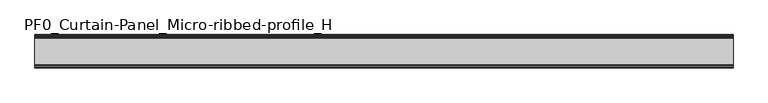
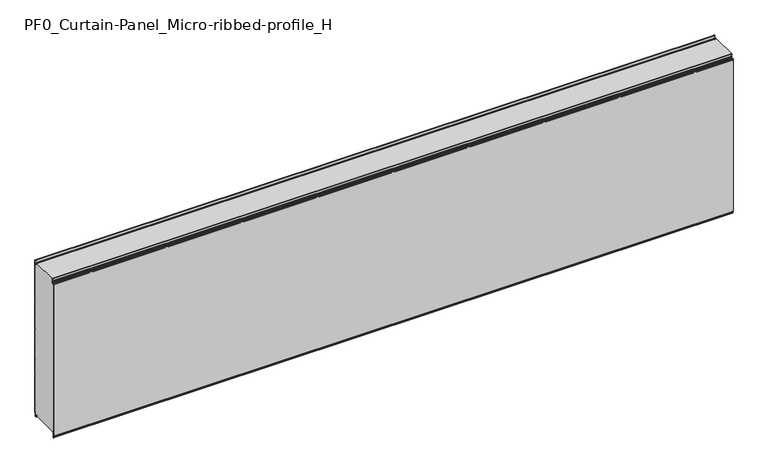
"""IFC4 building model written with IfcOpenShell, lengths in millimetres: plate geometry, PF0_Curtain-Panel_Micro-ribbed-profile_H."""

from ifc_helpers import new_model, si_unit, point, frame, frame_2d, origin, place, context, project, spatial, polyline, circle_curve, trimmed, segment, composite_curve, outline, extrude, source, transform, mapped, element, save
from ifc_brep_helpers import plane_surface, cylinder_surface, revolved_surface, advanced_brep


def pf0_curtain_panel_micro_ribbed_profile_h_6cca7dd0(model_context):
    return source(origin(), model_context, "Body", "SolidModel", [
        advanced_brep(
        [(-2100.0, -15.878557, 0.0), (-2100.0, -20.0, 0.0), (-2100.0, -20.0, 0.8), (-2100.0, -15.878557, 0.8), (-2100.0, -13.1503208, -1.370137), (-2100.0, -11.728236, -7.529863), (-2100.0, -6.2, -6.9), (-2100.0, -6.2, 8.6), (-2100.0, -3.4, 11.4), (-2100.0, -2.0, 11.4), (-2100.0, -0.8, 12.6), (-2100.0, -0.8, 57.6856412), (-2100.0, -2.482606, 60.6), (-2100.0, -0.8, 63.5143588), (-2100.0, -0.8, 157.6856412), (-2100.0, -2.482606, 160.6), (-2100.0, -0.8, 163.5143588), (-2100.0, -0.8, 257.6856412), (-2100.0, -2.482606, 260.6), (-2100.0, -0.8, 263.5143588), (-2100.0, -0.8, 357.6856412), (-2100.0, -2.482606, 360.6), (-2100.0, -0.8, 363.5143588), (-2100.0, -0.8, 457.6856412), (-2100.0, -2.482606, 460.6), (-2100.0, -0.8, 463.5143588), (-2100.0, -0.8, 557.6856412), (-2100.0, -2.482606, 560.6), (-2100.0, -0.8, 563.5143588), (-2100.0, -0.8, 657.6856412), (-2100.0, -2.482606, 660.6), (-2100.0, -0.8, 663.5143588), (-2100.0, -0.8, 757.6856412), (-2100.0, -2.482606, 760.6), (-2100.0, -0.8, 763.5143588), (-2100.0, -0.8, 857.6856412), (-2100.0, -2.482606, 860.6), (-2100.0, -0.8, 863.5143588), (-2100.0, -0.8, 957.6856412), (-2100.0, -2.482606, 960.6), (-2100.0, -0.8, 963.5143588), (-2100.0, -0.8, 1008.1), (-2100.0, -4.2, 1008.1), (-2100.0, -4.2, 991.1), (-2100.0, -13.7270771, 990.2664884), (-2100.0, -14.8636953, 996.7125669), (-2100.0, -16.6363492, 998.2), (-2100.0, -20.0, 998.2), (-2100.0, -20.0, 999.0), (-2100.0, -16.6363492, 999.0), (-2100.0, -14.0758491, 996.8514855), (-2100.0, -12.939231, 990.405407), (-2100.0, -5.0, 991.1), (-2100.0, -5.0, 1008.1), (-2100.0, -2.5, 1010.6), (-2100.0, 0.0, 1008.1), (-2100.0, 0.0, 963.2999995), (-2100.0, -1.5588455, 960.6), (-2100.0, 0.0, 957.9000005), (-2100.0, 0.0, 863.2999995), (-2100.0, -1.5588455, 860.6), (-2100.0, 0.0, 857.9000005), (-2100.0, 0.0, 763.2999995), (-2100.0, -1.5588455, 760.6), (-2100.0, 0.0, 757.9000005), (-2100.0, 0.0, 663.2999995), (-2100.0, -1.5588455, 660.6), (-2100.0, 0.0, 657.9000005), (-2100.0, 0.0, 563.2999995), (-2100.0, -1.5588455, 560.6), (-2100.0, 0.0, 557.9000005), (-2100.0, 0.0, 463.2999995), (-2100.0, -1.5588455, 460.6), (-2100.0, 0.0, 457.9000005), (-2100.0, 0.0, 363.2999995), (-2100.0, -1.5588455, 360.6), (-2100.0, 0.0, 357.9000005), (-2100.0, 0.0, 263.2999995), (-2100.0, -1.5588455, 260.6), (-2100.0, 0.0, 257.9000005), (-2100.0, 0.0, 163.2999995), (-2100.0, -1.5588455, 160.6), (-2100.0, 0.0, 157.9000005), (-2100.0, 0.0, 63.2999995), (-2100.0, -1.5588455, 60.6), (-2100.0, 0.0, 57.9000005), (-2100.0, 0.0, 12.6), (-2100.0, -2.0, 10.6), (-2100.0, -3.4, 10.6), (-2100.0, -5.4, 8.6), (-2100.0, -5.4, -6.9), (-2100.0, -12.5077322, -7.7098239), (-2100.0, -13.929817, -1.5500979), (2100.0, -15.878557, 0.0), (2100.0, -13.9298169, -1.5500978), (2100.0, -12.507732, -7.7098239), (2100.0, -5.4, -6.9), (2100.0, -5.4, 8.6), (2100.0, -3.4, 10.6), (2100.0, -2.0, 10.6), (2100.0, 0.0, 12.6), (2100.0, 0.0, 57.9000005), (2100.0, -1.5588455, 60.6), (2100.0, 0.0, 63.2999995), (2100.0, 0.0, 157.9000005), (2100.0, -1.5588455, 160.6), (2100.0, 0.0, 163.2999995), (2100.0, 0.0, 257.9000005), (2100.0, -1.5588455, 260.6), (2100.0, 0.0, 263.2999995), (2100.0, 0.0, 357.9000005), (2100.0, -1.5588455, 360.6), (2100.0, 0.0, 363.2999995), (2100.0, 0.0, 457.9000005), (2100.0, -1.5588455, 460.6), (2100.0, 0.0, 463.2999995), (2100.0, 0.0, 557.9000005), (2100.0, -1.5588455, 560.6), (2100.0, 0.0, 563.2999995), (2100.0, 0.0, 657.9000005), (2100.0, -1.5588455, 660.6), (2100.0, 0.0, 663.2999995), (2100.0, 0.0, 757.9000005), (2100.0, -1.5588455, 760.6), (2100.0, 0.0, 763.2999995), (2100.0, 0.0, 857.9000005), (2100.0, -1.5588455, 860.6), (2100.0, 0.0, 863.2999995), (2100.0, 0.0, 957.9000005), (2100.0, -1.5588455, 960.6), (2100.0, 0.0, 963.2999995), (2100.0, 0.0, 1008.1), (2100.0, -2.5, 1010.6), (2100.0, -5.0, 1008.1), (2100.0, -5.0, 991.1), (2100.0, -12.939231, 990.405407), (2100.0, -14.0758491, 996.8514855), (2100.0, -16.6363492, 999.0), (2100.0, -20.0, 999.0), (2100.0, -20.0, 998.2), (2100.0, -16.6363492, 998.2), (2100.0, -14.8636953, 996.7125669), (2100.0, -13.7270772, 990.2664884), (2100.0, -4.2, 991.1), (2100.0, -4.2, 1008.1), (2100.0, -0.8, 1008.1), (2100.0, -0.8, 963.5143588), (2100.0, -2.482606, 960.6), (2100.0, -0.8, 957.6856412), (2100.0, -0.8, 863.5143588), (2100.0, -2.482606, 860.6), (2100.0, -0.8, 857.6856412), (2100.0, -0.8, 763.5143588), (2100.0, -2.482606, 760.6), (2100.0, -0.8, 757.6856412), (2100.0, -0.8, 663.5143588), (2100.0, -2.482606, 660.6), (2100.0, -0.8, 657.6856412), (2100.0, -0.8, 563.5143588), (2100.0, -2.482606, 560.6), (2100.0, -0.8, 557.6856412), (2100.0, -0.8, 463.5143588), (2100.0, -2.482606, 460.6), (2100.0, -0.8, 457.6856412), (2100.0, -0.8, 363.5143588), (2100.0, -2.482606, 360.6), (2100.0, -0.8, 357.6856412), (2100.0, -0.8, 263.5143588), (2100.0, -2.482606, 260.6), (2100.0, -0.8, 257.6856412), (2100.0, -0.8, 163.5143588), (2100.0, -2.482606, 160.6), (2100.0, -0.8, 157.6856412), (2100.0, -0.8, 63.5143588), (2100.0, -2.482606, 60.6), (2100.0, -0.8, 57.6856412), (2100.0, -0.8, 12.6), (2100.0, -2.0, 11.4), (2100.0, -3.4, 11.4), (2100.0, -6.2, 8.6), (2100.0, -6.2, -6.9), (2100.0, -11.7282362, -7.529863), (2100.0, -13.150321, -1.370137), (2100.0, -15.878557, 0.8), (2100.0, -20.0, 0.8), (2100.0, -20.0, 0.0)],
        [
            (0, 1),
            (1, 2),
            (2, 3),
            (3, 4, circle_curve(frame((-2100.0, -15.878557, -2.0), z_axis=(-1.0, 0.0, 0.0), x_axis=(0.0, 0.0, 1.0)), 2.8)),
            (4, 5),
            (5, 6, circle_curve(frame((-2100.0, -9.0, -6.9), z_axis=(1.0, 0.0, 0.0), x_axis=(0.0, 0.0, 1.0)), 2.8)),
            (6, 7),
            (7, 8, circle_curve(frame((-2100.0, -3.4, 8.6), z_axis=(-1.0, 0.0, 0.0), x_axis=(0.0, 0.0, 1.0)), 2.8)),
            (8, 9),
            (9, 10, circle_curve(frame((-2100.0, -2.0, 12.6), z_axis=(1.0, 0.0, 0.0), x_axis=(0.0, 0.0, 1.0)), 1.2)),
            (10, 11),
            (11, 12),
            (12, 13),
            (13, 14),
            (14, 15),
            (15, 16),
            (16, 17),
            (17, 18),
            (18, 19),
            (19, 20),
            (20, 21),
            (21, 22),
            (22, 23),
            (23, 24),
            (24, 25),
            (25, 26),
            (26, 27),
            (27, 28),
            (28, 29),
            (29, 30),
            (30, 31),
            (31, 32),
            (32, 33),
            (33, 34),
            (34, 35),
            (35, 36),
            (36, 37),
            (37, 38),
            (38, 39),
            (39, 40),
            (40, 41),
            (41, 42, circle_curve(frame((-2100.0, -2.5, 1008.1), z_axis=(1.0, 0.0, 0.0), x_axis=(0.0, 0.0, 1.0)), 1.7)),
            (42, 43),
            (43, 44, circle_curve(frame((-2100.0, -9.0, 991.1), z_axis=(-1.0, 0.0, 0.0), x_axis=(0.0, 0.0, 1.0)), 4.8)),
            (44, 45),
            (45, 46, circle_curve(frame((-2100.0, -16.6363492, 996.4), z_axis=(1.0, 0.0, 0.0), x_axis=(0.0, 0.0, 1.0)), 1.8)),
            (46, 47),
            (47, 48),
            (48, 49),
            (49, 50, circle_curve(frame((-2100.0, -16.6363492, 996.4), z_axis=(-1.0, 0.0, 0.0), x_axis=(0.0, 0.0, 1.0)), 2.6)),
            (50, 51),
            (51, 52, circle_curve(frame((-2100.0, -9.0, 991.1), z_axis=(1.0, 0.0, 0.0), x_axis=(0.0, 0.0, 1.0)), 4.0)),
            (52, 53),
            (53, 54, circle_curve(frame((-2100.0, -2.5, 1008.1), z_axis=(-1.0, 0.0, 0.0), x_axis=(0.0, 0.0, 1.0)), 2.5)),
            (54, 55, circle_curve(frame((-2100.0, -2.5, 1008.1), z_axis=(-1.0, 0.0, 0.0), x_axis=(0.0, 0.0, 1.0)), 2.5)),
            (55, 56),
            (56, 57),
            (57, 58),
            (58, 59),
            (59, 60),
            (60, 61),
            (61, 62),
            (62, 63),
            (63, 64),
            (64, 65),
            (65, 66),
            (66, 67),
            (67, 68),
            (68, 69),
            (69, 70),
            (70, 71),
            (71, 72),
            (72, 73),
            (73, 74),
            (74, 75),
            (75, 76),
            (76, 77),
            (77, 78),
            (78, 79),
            (79, 80),
            (80, 81),
            (81, 82),
            (82, 83),
            (83, 84),
            (84, 85),
            (85, 86),
            (86, 87, circle_curve(frame((-2100.0, -2.0, 12.6), z_axis=(-1.0, 0.0, 0.0), x_axis=(0.0, 0.0, 1.0)), 2.0)),
            (87, 88),
            (88, 89, circle_curve(frame((-2100.0, -3.4, 8.6), z_axis=(1.0, 0.0, 0.0), x_axis=(0.0, 0.0, 1.0)), 2.0)),
            (89, 90),
            (90, 91, circle_curve(frame((-2100.0, -9.0, -6.9), z_axis=(-1.0, 0.0, 0.0), x_axis=(0.0, 0.0, 1.0)), 3.6)),
            (91, 92),
            (92, 0, circle_curve(frame((-2100.0, -15.878557, -2.0), z_axis=(1.0, 0.0, 0.0), x_axis=(0.0, 0.0, 1.0)), 2.0)),
            (93, 94, circle_curve(frame((2100.0, -15.878557, -2.0), z_axis=(-1.0, 0.0, 0.0), x_axis=(0.0, 0.0, 1.0)), 2.0)),
            (94, 95),
            (95, 96, circle_curve(frame((2100.0, -9.0, -6.9), z_axis=(1.0, 0.0, 0.0), x_axis=(0.0, 0.0, 1.0)), 3.6)),
            (96, 97),
            (97, 98, circle_curve(frame((2100.0, -3.4, 8.6), z_axis=(-1.0, 0.0, 0.0), x_axis=(0.0, 0.0, 1.0)), 2.0)),
            (98, 99),
            (99, 100, circle_curve(frame((2100.0, -2.0, 12.6), z_axis=(1.0, 0.0, 0.0), x_axis=(0.0, 0.0, 1.0)), 2.0)),
            (100, 101),
            (101, 102),
            (102, 103),
            (103, 104),
            (104, 105),
            (105, 106),
            (106, 107),
            (107, 108),
            (108, 109),
            (109, 110),
            (110, 111),
            (111, 112),
            (112, 113),
            (113, 114),
            (114, 115),
            (115, 116),
            (116, 117),
            (117, 118),
            (118, 119),
            (119, 120),
            (120, 121),
            (121, 122),
            (122, 123),
            (123, 124),
            (124, 125),
            (125, 126),
            (126, 127),
            (127, 128),
            (128, 129),
            (129, 130),
            (130, 131),
            (131, 132, circle_curve(frame((2100.0, -2.5, 1008.1), z_axis=(1.0, 0.0, 0.0), x_axis=(0.0, 0.0, 1.0)), 2.5)),
            (132, 133, circle_curve(frame((2100.0, -2.5, 1008.1), z_axis=(1.0, 0.0, 0.0), x_axis=(0.0, 0.0, 1.0)), 2.5)),
            (133, 134),
            (134, 135, circle_curve(frame((2100.0, -9.0, 991.1), z_axis=(-1.0, 0.0, 0.0), x_axis=(0.0, 0.0, 1.0)), 4.0)),
            (135, 136),
            (136, 137, circle_curve(frame((2100.0, -16.6363492, 996.4), z_axis=(1.0, 0.0, 0.0), x_axis=(0.0, 0.0, 1.0)), 2.6)),
            (137, 138),
            (138, 139),
            (139, 140),
            (140, 141, circle_curve(frame((2100.0, -16.6363492, 996.4), z_axis=(-1.0, 0.0, 0.0), x_axis=(0.0, 0.0, 1.0)), 1.8)),
            (141, 142),
            (142, 143, circle_curve(frame((2100.0, -9.0, 991.1), z_axis=(1.0, 0.0, 0.0), x_axis=(0.0, 0.0, 1.0)), 4.8)),
            (143, 144),
            (144, 145, circle_curve(frame((2100.0, -2.5, 1008.1), z_axis=(-1.0, 0.0, 0.0), x_axis=(0.0, 0.0, 1.0)), 1.7)),
            (145, 146),
            (146, 147),
            (147, 148),
            (148, 149),
            (149, 150),
            (150, 151),
            (151, 152),
            (152, 153),
            (153, 154),
            (154, 155),
            (155, 156),
            (156, 157),
            (157, 158),
            (158, 159),
            (159, 160),
            (160, 161),
            (161, 162),
            (162, 163),
            (163, 164),
            (164, 165),
            (165, 166),
            (166, 167),
            (167, 168),
            (168, 169),
            (169, 170),
            (170, 171),
            (171, 172),
            (172, 173),
            (173, 174),
            (174, 175),
            (175, 176),
            (176, 177, circle_curve(frame((2100.0, -2.0, 12.6), z_axis=(-1.0, 0.0, 0.0), x_axis=(0.0, 0.0, 1.0)), 1.2)),
            (177, 178),
            (178, 179, circle_curve(frame((2100.0, -3.4, 8.6), z_axis=(1.0, 0.0, 0.0), x_axis=(0.0, 0.0, 1.0)), 2.8)),
            (179, 180),
            (180, 181, circle_curve(frame((2100.0, -9.0, -6.9), z_axis=(-1.0, 0.0, 0.0), x_axis=(0.0, 0.0, 1.0)), 2.8)),
            (181, 182),
            (182, 183, circle_curve(frame((2100.0, -15.878557, -2.0), z_axis=(1.0, 0.0, 0.0), x_axis=(0.0, 0.0, 1.0)), 2.8)),
            (183, 184),
            (184, 185),
            (185, 93),
            (0, 93),
            (185, 1),
            (184, 2),
            (183, 3),
            (182, 4),
            (181, 5),
            (180, 6),
            (179, 7),
            (178, 8),
            (177, 9),
            (176, 10),
            (175, 11),
            (174, 12),
            (173, 13),
            (172, 14),
            (171, 15),
            (170, 16),
            (169, 17),
            (168, 18),
            (167, 19),
            (166, 20),
            (165, 21),
            (164, 22),
            (163, 23),
            (162, 24),
            (161, 25),
            (160, 26),
            (159, 27),
            (158, 28),
            (157, 29),
            (156, 30),
            (155, 31),
            (154, 32),
            (153, 33),
            (152, 34),
            (151, 35),
            (150, 36),
            (149, 37),
            (148, 38),
            (147, 39),
            (146, 40),
            (145, 41),
            (144, 42),
            (143, 43),
            (142, 44),
            (141, 45),
            (140, 46),
            (139, 47),
            (138, 48),
            (137, 49),
            (136, 50),
            (135, 51),
            (134, 52),
            (133, 53),
            (131, 55),
            (130, 56),
            (129, 57),
            (128, 58),
            (127, 59),
            (126, 60),
            (125, 61),
            (124, 62),
            (123, 63),
            (122, 64),
            (121, 65),
            (120, 66),
            (119, 67),
            (118, 68),
            (117, 69),
            (116, 70),
            (115, 71),
            (114, 72),
            (113, 73),
            (112, 74),
            (111, 75),
            (110, 76),
            (109, 77),
            (108, 78),
            (107, 79),
            (106, 80),
            (105, 81),
            (104, 82),
            (103, 83),
            (102, 84),
            (101, 85),
            (100, 86),
            (99, 87),
            (98, 88),
            (97, 89),
            (96, 90),
            (95, 91),
            (94, 92),
        ],
        [
            plane_surface(frame((-2100.0, 0.0, 0.0), z_axis=(-1.0, 0.0, 0.0), x_axis=(0.0, 1.0, 0.0))),
            plane_surface(frame((2100.0, 0.0, 0.0), z_axis=(1.0, 0.0, 0.0), x_axis=(0.0, 1.0, 0.0))),
            plane_surface(frame((-2100.0, -15.878557, 0.0), z_axis=(0.0, 0.0, -1.0), x_axis=(1.0, 0.0, 0.0))),
            plane_surface(frame((-2100.0, -20.0, 0.0), z_axis=(0.0, -1.0, 0.0), x_axis=(1.0, 0.0, 0.0))),
            plane_surface(frame((-2100.0, -20.0, 0.8), z_axis=(0.0, 0.0, 1.0), x_axis=(1.0, 0.0, 0.0))),
            cylinder_surface(frame((-2100.0, -15.878557, -2.0), z_axis=(-1.0, 0.0, 0.0), x_axis=(0.0, 0.0, 1.0)), 2.8),
            plane_surface(frame((-2100.0, -13.150321, -1.370137), z_axis=(0.0, 0.9743700578318181, 0.22495108446242168), x_axis=(1.0, 0.0, 0.0))),
            revolved_surface(polyline([(2100.0, -9.0, -4.1000000000000005), (-2100.0, -9.0, -4.1000000000000005)]), (-2100.0, -9.0, -6.9), (1.0, 0.0, 0.0)),
            plane_surface(frame((-2100.0, -6.2, -6.9), z_axis=(0.0, -1.0, 0.0), x_axis=(1.0, 0.0, 0.0))),
            cylinder_surface(frame((-2100.0, -3.4, 8.6), z_axis=(-1.0, 0.0, 0.0), x_axis=(0.0, 0.0, 1.0)), 2.8),
            plane_surface(frame((-2100.0, -3.4, 11.4), z_axis=(0.0, 0.0, 1.0), x_axis=(1.0, 0.0, 0.0))),
            revolved_surface(polyline([(2100.0, -2.0, 13.799999999999999), (-2100.0, -2.0, 13.799999999999999)]), (-2100.0, -2.0, 12.6), (1.0, 0.0, 0.0)),
            plane_surface(frame((-2100.0, -0.8, 12.6), z_axis=(0.0, -1.0, 0.0), x_axis=(1.0, 0.0, 0.0))),
            plane_surface(frame((-2100.0, -0.8, 57.6856412), z_axis=(0.0, -0.8660253865035757, -0.5000000299313314), x_axis=(1.0, 0.0, 0.0))),
            plane_surface(frame((-2100.0, -2.482606, 60.6), z_axis=(0.0, -0.8660253865035789, 0.5000000299313261), x_axis=(1.0, 0.0, 0.0))),
            plane_surface(frame((-2100.0, -0.8, 63.5143588), z_axis=(0.0, -1.0, 0.0), x_axis=(1.0, 0.0, 0.0))),
            plane_surface(frame((-2100.0, -0.8, 157.6856412), z_axis=(0.0, -0.8660253865035755, -0.5000000299313319), x_axis=(1.0, 0.0, 0.0))),
            plane_surface(frame((-2100.0, -2.482606, 160.6), z_axis=(0.0, -0.8660253865035777, 0.5000000299313279), x_axis=(1.0, 0.0, 0.0))),
            plane_surface(frame((-2100.0, -0.8, 163.5143588), z_axis=(0.0, -1.0, 0.0), x_axis=(1.0, 0.0, 0.0))),
            plane_surface(frame((-2100.0, -0.8, 257.6856412), z_axis=(0.0, -0.8660253865035755, -0.5000000299313319), x_axis=(1.0, 0.0, 0.0))),
            plane_surface(frame((-2100.0, -2.482606, 260.6), z_axis=(0.0, -0.8660253865035777, 0.5000000299313279), x_axis=(1.0, 0.0, 0.0))),
            plane_surface(frame((-2100.0, -0.8, 263.5143588), z_axis=(0.0, -1.0, 0.0), x_axis=(1.0, 0.0, 0.0))),
            plane_surface(frame((-2100.0, -0.8, 357.6856412), z_axis=(0.0, -0.8660253865035754, -0.500000029931332), x_axis=(1.0, 0.0, 0.0))),
            plane_surface(frame((-2100.0, -2.482606, 360.6), z_axis=(0.0, -0.8660253865035789, 0.5000000299313261), x_axis=(1.0, 0.0, 0.0))),
            plane_surface(frame((-2100.0, -0.8, 363.5143588), z_axis=(0.0, -1.0, 0.0), x_axis=(1.0, 0.0, 0.0))),
            plane_surface(frame((-2100.0, -0.8, 457.6856412), z_axis=(0.0, -0.8660253865035755, -0.5000000299313319), x_axis=(1.0, 0.0, 0.0))),
            plane_surface(frame((-2100.0, -2.482606, 460.6), z_axis=(0.0, -0.8660253865035785, 0.5000000299313266), x_axis=(1.0, 0.0, 0.0))),
            plane_surface(frame((-2100.0, -0.8, 463.5143588), z_axis=(0.0, -1.0, 0.0), x_axis=(1.0, 0.0, 0.0))),
            plane_surface(frame((-2100.0, -0.8, 557.6856412), z_axis=(0.0, -0.8660253865035755, -0.500000029931332), x_axis=(1.0, 0.0, 0.0))),
            plane_surface(frame((-2100.0, -2.482606, 560.6), z_axis=(0.0, -0.8660253865035789, 0.500000029931326), x_axis=(1.0, 0.0, 0.0))),
            plane_surface(frame((-2100.0, -0.8, 563.5143588), z_axis=(0.0, -1.0, 0.0), x_axis=(1.0, 0.0, 0.0))),
            plane_surface(frame((-2100.0, -0.8, 657.6856412), z_axis=(0.0, -0.8660253865035755, -0.5000000299313317), x_axis=(1.0, 0.0, 0.0))),
            plane_surface(frame((-2100.0, -2.482606, 660.6), z_axis=(0.0, -0.8660253865035772, 0.5000000299313291), x_axis=(1.0, 0.0, 0.0))),
            plane_surface(frame((-2100.0, -0.8, 663.5143588), z_axis=(0.0, -1.0, 0.0), x_axis=(1.0, 0.0, 0.0))),
            plane_surface(frame((-2100.0, -0.8, 757.6856412), z_axis=(0.0, -0.8660253865035755, -0.5000000299313319), x_axis=(1.0, 0.0, 0.0))),
            plane_surface(frame((-2100.0, -2.482606, 760.6), z_axis=(0.0, -0.8660253865035771, 0.5000000299313291), x_axis=(1.0, 0.0, 0.0))),
            plane_surface(frame((-2100.0, -0.8, 763.5143588), z_axis=(0.0, -1.0, 0.0), x_axis=(1.0, 0.0, 0.0))),
            plane_surface(frame((-2100.0, -0.8, 857.6856412), z_axis=(0.0, -0.8660253865035755, -0.5000000299313319), x_axis=(1.0, 0.0, 0.0))),
            plane_surface(frame((-2100.0, -2.482606, 860.6), z_axis=(0.0, -0.8660253865035775, 0.5000000299313283), x_axis=(1.0, 0.0, 0.0))),
            plane_surface(frame((-2100.0, -0.8, 863.5143588), z_axis=(0.0, -1.0, 0.0), x_axis=(1.0, 0.0, 0.0))),
            plane_surface(frame((-2100.0, -0.8, 957.6856412), z_axis=(0.0, -0.8660253865035755, -0.500000029931332), x_axis=(1.0, 0.0, 0.0))),
            plane_surface(frame((-2100.0, -2.482606, 960.6), z_axis=(0.0, -0.8660253865035771, 0.5000000299313291), x_axis=(1.0, 0.0, 0.0))),
            plane_surface(frame((-2100.0, -0.8, 963.5143588), z_axis=(0.0, -1.0, 0.0), x_axis=(1.0, 0.0, 0.0))),
            revolved_surface(polyline([(2100.0, -2.5, 1009.8000000000001), (-2100.0, -2.5, 1009.8000000000001)]), (-2100.0, -2.5, 1008.1), (1.0, 0.0, 0.0)),
            plane_surface(frame((-2100.0, -4.2, 1008.1), z_axis=(0.0, 1.0, 0.0), x_axis=(1.0, 0.0, 0.0))),
            cylinder_surface(frame((-2100.0, -9.0, 991.1), z_axis=(-1.0, 0.0, 0.0), x_axis=(0.0, 0.0, 1.0)), 4.8),
            plane_surface(frame((-2100.0, -13.7270772, 990.2664884), z_axis=(0.0, -0.9848077391954005, -0.17364825602592165), x_axis=(1.0, 0.0, 0.0))),
            revolved_surface(polyline([(2100.0, -16.6363492, 998.1999999999999), (-2100.0, -16.6363492, 998.1999999999999)]), (-2100.0, -16.6363492, 996.4), (1.0, 0.0, 0.0)),
            plane_surface(frame((-2100.0, -16.6363492, 998.2), z_axis=(0.0, 0.0, -1.0), x_axis=(1.0, 0.0, 0.0))),
            plane_surface(frame((-2100.0, -20.0, 998.2), z_axis=(0.0, -1.0, 0.0), x_axis=(1.0, 0.0, 0.0))),
            plane_surface(frame((-2100.0, -20.0, 999.0), z_axis=(0.0, 0.0, 1.0), x_axis=(1.0, 0.0, 0.0))),
            cylinder_surface(frame((-2100.0, -16.6363492, 996.4), z_axis=(-1.0, 0.0, 0.0), x_axis=(0.0, 0.0, 1.0)), 2.6),
            plane_surface(frame((-2100.0, -14.0758491, 996.8514855), z_axis=(0.0, 0.9848077391954003, 0.1736482560259224), x_axis=(1.0, 0.0, 0.0))),
            revolved_surface(polyline([(2100.0, -9.0, 995.1), (-2100.0, -9.0, 995.1)]), (-2100.0, -9.0, 991.1), (1.0, 0.0, 0.0)),
            plane_surface(frame((-2100.0, -5.0, 991.1), z_axis=(0.0, -1.0, 0.0), x_axis=(1.0, 0.0, 0.0))),
            cylinder_surface(frame((-2100.0, -2.5, 1008.1), z_axis=(-1.0, 0.0, 0.0), x_axis=(0.0, 0.0, 1.0)), 2.5),
            plane_surface(frame((-2100.0, 0.0, 1008.1), z_axis=(0.0, 1.0, 0.0), x_axis=(1.0, 0.0, 0.0))),
            plane_surface(frame((-2100.0, 0.0, 963.2999995), z_axis=(0.0, 0.8660253865035786, -0.5000000299313263), x_axis=(1.0, 0.0, 0.0))),
            plane_surface(frame((-2100.0, -1.5588455, 960.6), z_axis=(0.0, 0.8660253865035755, 0.5000000299313319), x_axis=(1.0, 0.0, 0.0))),
            plane_surface(frame((-2100.0, 0.0, 957.9000005), z_axis=(0.0, 1.0, 0.0), x_axis=(1.0, 0.0, 0.0))),
            plane_surface(frame((-2100.0, 0.0, 863.2999995), z_axis=(0.0, 0.8660253865035786, -0.5000000299313263), x_axis=(1.0, 0.0, 0.0))),
            plane_surface(frame((-2100.0, -1.5588455, 860.6), z_axis=(0.0, 0.8660253865035755, 0.5000000299313319), x_axis=(1.0, 0.0, 0.0))),
            plane_surface(frame((-2100.0, 0.0, 857.9000005), z_axis=(0.0, 1.0, 0.0), x_axis=(1.0, 0.0, 0.0))),
            plane_surface(frame((-2100.0, 0.0, 763.2999995), z_axis=(0.0, 0.8660253865035786, -0.5000000299313263), x_axis=(1.0, 0.0, 0.0))),
            plane_surface(frame((-2100.0, -1.5588455, 760.6), z_axis=(0.0, 0.8660253865035755, 0.5000000299313319), x_axis=(1.0, 0.0, 0.0))),
            plane_surface(frame((-2100.0, 0.0, 757.9000005), z_axis=(0.0, 1.0, 0.0), x_axis=(1.0, 0.0, 0.0))),
            plane_surface(frame((-2100.0, 0.0, 663.2999995), z_axis=(0.0, 0.8660253865035786, -0.5000000299313263), x_axis=(1.0, 0.0, 0.0))),
            plane_surface(frame((-2100.0, -1.5588455, 660.6), z_axis=(0.0, 0.8660253865035755, 0.5000000299313319), x_axis=(1.0, 0.0, 0.0))),
            plane_surface(frame((-2100.0, 0.0, 657.9000005), z_axis=(0.0, 1.0, 0.0), x_axis=(1.0, 0.0, 0.0))),
            plane_surface(frame((-2100.0, 0.0, 563.2999995), z_axis=(0.0, 0.8660253865035786, -0.5000000299313263), x_axis=(1.0, 0.0, 0.0))),
            plane_surface(frame((-2100.0, -1.5588455, 560.6), z_axis=(0.0, 0.8660253865035755, 0.5000000299313319), x_axis=(1.0, 0.0, 0.0))),
            plane_surface(frame((-2100.0, 0.0, 557.9000005), z_axis=(0.0, 1.0, 0.0), x_axis=(1.0, 0.0, 0.0))),
            plane_surface(frame((-2100.0, 0.0, 463.2999995), z_axis=(0.0, 0.8660253865035786, -0.5000000299313263), x_axis=(1.0, 0.0, 0.0))),
            plane_surface(frame((-2100.0, -1.5588455, 460.6), z_axis=(0.0, 0.8660253865035755, 0.5000000299313319), x_axis=(1.0, 0.0, 0.0))),
            plane_surface(frame((-2100.0, 0.0, 457.9000005), z_axis=(0.0, 1.0, 0.0), x_axis=(1.0, 0.0, 0.0))),
            plane_surface(frame((-2100.0, 0.0, 363.2999995), z_axis=(0.0, 0.8660253865035786, -0.5000000299313263), x_axis=(1.0, 0.0, 0.0))),
            plane_surface(frame((-2100.0, -1.5588455, 360.6), z_axis=(0.0, 0.8660253865035755, 0.5000000299313319), x_axis=(1.0, 0.0, 0.0))),
            plane_surface(frame((-2100.0, 0.0, 357.9000005), z_axis=(0.0, 1.0, 0.0), x_axis=(1.0, 0.0, 0.0))),
            plane_surface(frame((-2100.0, 0.0, 263.2999995), z_axis=(0.0, 0.8660253865035786, -0.5000000299313263), x_axis=(1.0, 0.0, 0.0))),
            plane_surface(frame((-2100.0, -1.5588455, 260.6), z_axis=(0.0, 0.8660253865035755, 0.5000000299313319), x_axis=(1.0, 0.0, 0.0))),
            plane_surface(frame((-2100.0, 0.0, 257.9000005), z_axis=(0.0, 1.0, 0.0), x_axis=(1.0, 0.0, 0.0))),
            plane_surface(frame((-2100.0, 0.0, 163.2999995), z_axis=(0.0, 0.8660253865035786, -0.5000000299313263), x_axis=(1.0, 0.0, 0.0))),
            plane_surface(frame((-2100.0, -1.5588455, 160.6), z_axis=(0.0, 0.8660253865035755, 0.5000000299313319), x_axis=(1.0, 0.0, 0.0))),
            plane_surface(frame((-2100.0, 0.0, 157.9000005), z_axis=(0.0, 1.0, 0.0), x_axis=(1.0, 0.0, 0.0))),
            plane_surface(frame((-2100.0, 0.0, 63.2999995), z_axis=(0.0, 0.8660253865035786, -0.5000000299313263), x_axis=(1.0, 0.0, 0.0))),
            plane_surface(frame((-2100.0, -1.5588455, 60.6), z_axis=(0.0, 0.8660253865035755, 0.5000000299313319), x_axis=(1.0, 0.0, 0.0))),
            plane_surface(frame((-2100.0, 0.0, 57.9000005), z_axis=(0.0, 1.0, 0.0), x_axis=(1.0, 0.0, 0.0))),
            cylinder_surface(frame((-2100.0, -2.0, 12.6), z_axis=(-1.0, 0.0, 0.0), x_axis=(0.0, 0.0, 1.0)), 2.0),
            plane_surface(frame((-2100.0, -2.0, 10.6), z_axis=(0.0, 0.0, -1.0), x_axis=(1.0, 0.0, 0.0))),
            revolved_surface(polyline([(2100.0, -3.4, 10.6), (-2100.0, -3.4, 10.6)]), (-2100.0, -3.4, 8.6), (1.0, 0.0, 0.0)),
            plane_surface(frame((-2100.0, -5.4, 8.6), z_axis=(0.0, 1.0, 0.0), x_axis=(1.0, 0.0, 0.0))),
            cylinder_surface(frame((-2100.0, -9.0, -6.9), z_axis=(-1.0, 0.0, 0.0), x_axis=(0.0, 0.0, 1.0)), 3.6),
            plane_surface(frame((-2100.0, -12.507732, -7.7098239), z_axis=(0.0, -0.9743700578318182, -0.22495108446242174), x_axis=(1.0, 0.0, 0.0))),
            revolved_surface(polyline([(2100.0, -15.878557, 0.0), (-2100.0, -15.878557, 0.0)]), (-2100.0, -15.878557, -2.0), (1.0, 0.0, 0.0)),
        ],
        [
            (0, [[1, 2, 3, 4, 5, 6, 7, 8, 9, 10, 11, 12, 13, 14, 15, 16, 17, 18, 19, 20, 21, 22, 23, 24, 25, 26, 27, 28, 29, 30, 31, 32, 33, 34, 35, 36, 37, 38, 39, 40, 41, 42, 43, 44, 45, 46, 47, 48, 49, 50, 51, 52, 53, 54, 55, 56, 57, 58, 59, 60, 61, 62, 63, 64, 65, 66, 67, 68, 69, 70, 71, 72, 73, 74, 75, 76, 77, 78, 79, 80, 81, 82, 83, 84, 85, 86, 87, 88, 89, 90, 91, 92, 93]]),
            (1, [[94, 95, 96, 97, 98, 99, 100, 101, 102, 103, 104, 105, 106, 107, 108, 109, 110, 111, 112, 113, 114, 115, 116, 117, 118, 119, 120, 121, 122, 123, 124, 125, 126, 127, 128, 129, 130, 131, 132, 133, 134, 135, 136, 137, 138, 139, 140, 141, 142, 143, 144, 145, 146, 147, 148, 149, 150, 151, 152, 153, 154, 155, 156, 157, 158, 159, 160, 161, 162, 163, 164, 165, 166, 167, 168, 169, 170, 171, 172, 173, 174, 175, 176, 177, 178, 179, 180, 181, 182, 183, 184, 185, 186]]),
            (2, [[-1, 187, -186, 188]]),
            (3, [[-2, -188, -185, 189]]),
            (4, [[-3, -189, -184, 190]]),
            (5, [[-4, -190, -183, 191]]),
            (6, [[-5, -191, -182, 192]]),
            (7, [[-6, -192, -181, 193]]),
            (8, [[-7, -193, -180, 194]]),
            (9, [[-8, -194, -179, 195]]),
            (10, [[-9, -195, -178, 196]]),
            (11, [[-10, -196, -177, 197]]),
            (12, [[-11, -197, -176, 198]]),
            (13, [[-12, -198, -175, 199]]),
            (14, [[-13, -199, -174, 200]]),
            (15, [[-14, -200, -173, 201]]),
            (16, [[-15, -201, -172, 202]]),
            (17, [[-16, -202, -171, 203]]),
            (18, [[-17, -203, -170, 204]]),
            (19, [[-18, -204, -169, 205]]),
            (20, [[-19, -205, -168, 206]]),
            (21, [[-20, -206, -167, 207]]),
            (22, [[-21, -207, -166, 208]]),
            (23, [[-22, -208, -165, 209]]),
            (24, [[-23, -209, -164, 210]]),
            (25, [[-24, -210, -163, 211]]),
            (26, [[-25, -211, -162, 212]]),
            (27, [[-26, -212, -161, 213]]),
            (28, [[-27, -213, -160, 214]]),
            (29, [[-28, -214, -159, 215]]),
            (30, [[-29, -215, -158, 216]]),
            (31, [[-30, -216, -157, 217]]),
            (32, [[-31, -217, -156, 218]]),
            (33, [[-32, -218, -155, 219]]),
            (34, [[-33, -219, -154, 220]]),
            (35, [[-34, -220, -153, 221]]),
            (36, [[-35, -221, -152, 222]]),
            (37, [[-36, -222, -151, 223]]),
            (38, [[-37, -223, -150, 224]]),
            (39, [[-38, -224, -149, 225]]),
            (40, [[-39, -225, -148, 226]]),
            (41, [[-40, -226, -147, 227]]),
            (42, [[-41, -227, -146, 228]]),
            (43, [[-42, -228, -145, 229]]),
            (44, [[-43, -229, -144, 230]]),
            (45, [[-44, -230, -143, 231]]),
            (46, [[-45, -231, -142, 232]]),
            (47, [[-46, -232, -141, 233]]),
            (48, [[-47, -233, -140, 234]]),
            (49, [[-48, -234, -139, 235]]),
            (50, [[-49, -235, -138, 236]]),
            (51, [[-50, -236, -137, 237]]),
            (52, [[-51, -237, -136, 238]]),
            (53, [[-52, -238, -135, 239]]),
            (54, [[-53, -239, -134, 240]]),
            (55, [[-240, -133, -132, 241, -55, -54]]),
            (56, [[-56, -241, -131, 242]]),
            (57, [[-57, -242, -130, 243]]),
            (58, [[-58, -243, -129, 244]]),
            (59, [[-59, -244, -128, 245]]),
            (60, [[-60, -245, -127, 246]]),
            (61, [[-61, -246, -126, 247]]),
            (62, [[-62, -247, -125, 248]]),
            (63, [[-63, -248, -124, 249]]),
            (64, [[-64, -249, -123, 250]]),
            (65, [[-65, -250, -122, 251]]),
            (66, [[-66, -251, -121, 252]]),
            (67, [[-67, -252, -120, 253]]),
            (68, [[-68, -253, -119, 254]]),
            (69, [[-69, -254, -118, 255]]),
            (70, [[-70, -255, -117, 256]]),
            (71, [[-71, -256, -116, 257]]),
            (72, [[-72, -257, -115, 258]]),
            (73, [[-73, -258, -114, 259]]),
            (74, [[-74, -259, -113, 260]]),
            (75, [[-75, -260, -112, 261]]),
            (76, [[-76, -261, -111, 262]]),
            (77, [[-77, -262, -110, 263]]),
            (78, [[-78, -263, -109, 264]]),
            (79, [[-79, -264, -108, 265]]),
            (80, [[-80, -265, -107, 266]]),
            (81, [[-81, -266, -106, 267]]),
            (82, [[-82, -267, -105, 268]]),
            (83, [[-83, -268, -104, 269]]),
            (84, [[-84, -269, -103, 270]]),
            (85, [[-85, -270, -102, 271]]),
            (86, [[-86, -271, -101, 272]]),
            (87, [[-87, -272, -100, 273]]),
            (88, [[-88, -273, -99, 274]]),
            (89, [[-89, -274, -98, 275]]),
            (90, [[-90, -275, -97, 276]]),
            (91, [[-91, -276, -96, 277]]),
            (92, [[-92, -277, -95, 278]]),
            (93, [[-93, -278, -94, -187]]),
        ],
    ),
        extrude(outline(composite_curve([segment(polyline([(-190.0, 0.0), (-193.5, 0.0)]), True, "CONTINUOUS"), segment(trimmed(circle_curve(frame_2d((-193.5, -2.0)), 2.0), [point((-193.5, 0.0))], [point((-195.5, -2.0))], True, "CARTESIAN"), True, "CONTINUOUS"), segment(polyline([(-195.5, -2.0), (-195.5, -33.0)]), True, "CONTINUOUS"), segment(trimmed(circle_curve(frame_2d((-196.5, -33.0)), 1.0), [point((-195.5, -33.0))], [point((-197.5, -33.0))], False, "CARTESIAN"), True, "CONTINUOUS"), segment(polyline([(-197.5, -33.0), (-197.5, -26.9)]), True, "CONTINUOUS"), segment(trimmed(circle_curve(frame_2d((-198.4, -26.9)), 0.9), [point((-197.5, -26.9))], [point((-198.4, -26.0))], True, "CARTESIAN"), True, "CONTINUOUS"), segment(trimmed(circle_curve(frame_2d((-198.4, -24.4)), 1.6), [point((-198.4, -26.0))], [point((-200.0, -24.4))], False, "CARTESIAN"), True, "CONTINUOUS"), segment(polyline([(-200.0, -24.4), (-200.0, 973.0)]), True, "CONTINUOUS"), segment(trimmed(circle_curve(frame_2d((-199.0, 973.0)), 1.0), [point((-200.0, 973.0))], [point((-198.0, 973.0))], False, "CARTESIAN"), True, "CONTINUOUS"), segment(polyline([(-198.0, 973.0), (-198.0, 967.0)]), True, "CONTINUOUS"), segment(trimmed(circle_curve(frame_2d((-196.5, 967.0)), 1.5), [point((-198.0, 967.0))], [point((-195.0, 967.0))], True, "CARTESIAN"), True, "CONTINUOUS"), segment(polyline([(-195.0, 967.0), (-195.0, 967.8276204)]), True, "CONTINUOUS"), segment(trimmed(circle_curve(frame_2d((-188.8276204, 967.8276204)), 6.1723796), [point((-195.0, 967.8276204))], [point((-188.8276204, 974.0))], False, "CARTESIAN"), True, "CONTINUOUS"), segment(polyline([(-188.8276204, 974.0), (-188.0, 974.0)]), True, "CONTINUOUS"), segment(trimmed(circle_curve(frame_2d((-188.0, 975.0)), 1.0), [point((-188.0, 974.0))], [point((-187.0, 975.0))], True, "CARTESIAN"), True, "CONTINUOUS"), segment(polyline([(-187.0, 975.0), (-187.0, 981.5000012), (-185.4999999, 983.0), (-187.0, 984.4999988), (-187.0, 996.4)]), True, "CONTINUOUS"), segment(trimmed(circle_curve(frame_2d((-184.4, 996.4)), 2.6), [point((-187.0, 996.4))], [point((-184.4, 999.0))], False, "CARTESIAN"), True, "CONTINUOUS"), segment(polyline([(-184.4, 999.0), (-183.0, 999.0), (-183.0, 998.2), (-184.4, 998.2)]), True, "CONTINUOUS"), segment(trimmed(circle_curve(frame_2d((-184.4, 996.4)), 1.8), [point((-184.4, 998.2))], [point((-186.2, 996.4))], True, "CARTESIAN"), True, "CONTINUOUS"), segment(polyline([(-186.2, 996.4), (-186.2, 984.8313698), (-184.3686285, 983.0), (-186.2, 981.1686302), (-186.2, 975.0)]), True, "CONTINUOUS"), segment(trimmed(circle_curve(frame_2d((-188.0, 975.0)), 1.8), [point((-186.2, 975.0))], [point((-188.0, 973.2))], False, "CARTESIAN"), True, "CONTINUOUS"), segment(polyline([(-188.0, 973.2), (-188.8276204, 973.2)]), True, "CONTINUOUS"), segment(trimmed(circle_curve(frame_2d((-188.8276204, 967.8276204)), 5.3723796), [point((-188.8276204, 973.2))], [point((-194.2, 967.8276204))], True, "CARTESIAN"), True, "CONTINUOUS"), segment(polyline([(-194.2, 967.8276204), (-194.2, 967.0)]), True, "CONTINUOUS"), segment(trimmed(circle_curve(frame_2d((-196.4, 967.0)), 2.2), [point((-194.2, 967.0))], [point((-198.6, 967.0))], False, "CARTESIAN"), True, "CONTINUOUS"), segment(polyline([(-198.6, 967.0), (-198.6, 972.8891513)]), True, "CONTINUOUS"), segment(trimmed(circle_curve(frame_2d((-198.9, 972.8891513)), 0.3), [point((-198.6, 972.8891513))], [point((-199.2, 972.8891513))], True, "CARTESIAN"), True, "CONTINUOUS"), segment(polyline([(-199.2, 972.8891513), (-199.2, -24.4)]), True, "CONTINUOUS"), segment(trimmed(circle_curve(frame_2d((-198.4, -24.4)), 0.8), [point((-199.2, -24.4))], [point((-198.4, -25.2))], True, "CARTESIAN"), True, "CONTINUOUS"), segment(trimmed(circle_curve(frame_2d((-198.6133333, -26.9)), 1.7133333), [point((-198.4, -25.2))], [point((-196.9, -26.9))], False, "CARTESIAN"), True, "CONTINUOUS"), segment(polyline([(-196.9, -26.9), (-196.9, -32.8700312)]), True, "CONTINUOUS"), segment(trimmed(circle_curve(frame_2d((-196.6, -32.8700312)), 0.3), [point((-196.9, -32.8700312))], [point((-196.3, -32.8700312))], True, "CARTESIAN"), True, "CONTINUOUS"), segment(polyline([(-196.3, -32.8700312), (-196.3, -2.0)]), True, "CONTINUOUS"), segment(trimmed(circle_curve(frame_2d((-193.5, -2.0)), 2.8), [point((-196.3, -2.0))], [point((-193.5, 0.8))], False, "CARTESIAN"), True, "CONTINUOUS"), segment(polyline([(-193.5, 0.8), (-190.0, 0.8), (-190.0, 0.0)]), True, "CONTINUOUS")], self_intersect=False)), frame((-2100.0, 0.0, 0.0), z_axis=(1.0, 0.0, 0.0), x_axis=(0.0, 1.0, 0.0)), (0.0, 0.0, 1.0), 4200.0),
        extrude(outline(composite_curve([segment(polyline([(-190.0, 0.8), (-193.5, 0.8)]), True, "CONTINUOUS"), segment(trimmed(circle_curve(frame_2d((-193.5, -2.0)), 2.8), [point((-193.5, 0.8))], [point((-196.3, -2.0))], True, "CARTESIAN"), True, "CONTINUOUS"), segment(polyline([(-196.3, -2.0), (-196.3, -32.8700312)]), True, "CONTINUOUS"), segment(trimmed(circle_curve(frame_2d((-196.6, -32.8700312)), 0.3), [point((-196.3, -32.8700312))], [point((-196.9, -32.8700312))], False, "CARTESIAN"), True, "CONTINUOUS"), segment(polyline([(-196.9, -32.8700312), (-196.9, -26.9)]), True, "CONTINUOUS"), segment(trimmed(circle_curve(frame_2d((-198.6133333, -26.9)), 1.7133333), [point((-196.9, -26.9))], [point((-198.4, -25.2))], True, "CARTESIAN"), True, "CONTINUOUS"), segment(trimmed(circle_curve(frame_2d((-198.4, -24.4)), 0.8), [point((-198.4, -25.2))], [point((-199.2, -24.4))], False, "CARTESIAN"), True, "CONTINUOUS"), segment(polyline([(-199.2, -24.4), (-199.2, 972.8891513)]), True, "CONTINUOUS"), segment(trimmed(circle_curve(frame_2d((-198.9, 972.8891513)), 0.3), [point((-199.2, 972.8891513))], [point((-198.6, 972.8891513))], False, "CARTESIAN"), True, "CONTINUOUS"), segment(polyline([(-198.6, 972.8891513), (-198.6, 967.0)]), True, "CONTINUOUS"), segment(trimmed(circle_curve(frame_2d((-196.4, 967.0)), 2.2), [point((-198.6, 967.0))], [point((-194.2, 967.0))], True, "CARTESIAN"), True, "CONTINUOUS"), segment(polyline([(-194.2, 967.0), (-194.2, 967.8276204)]), True, "CONTINUOUS"), segment(trimmed(circle_curve(frame_2d((-188.8276204, 967.8276204)), 5.3723796), [point((-194.2, 967.8276204))], [point((-188.8276204, 973.2))], False, "CARTESIAN"), True, "CONTINUOUS"), segment(polyline([(-188.8276204, 973.2), (-188.0, 973.2)]), True, "CONTINUOUS"), segment(trimmed(circle_curve(frame_2d((-188.0, 975.0)), 1.8), [point((-188.0, 973.2))], [point((-186.2, 975.0))], True, "CARTESIAN"), True, "CONTINUOUS"), segment(polyline([(-186.2, 975.0), (-186.2, 981.1686302), (-184.3686285, 983.0), (-186.2, 984.8313698), (-186.2, 996.4)]), True, "CONTINUOUS"), segment(trimmed(circle_curve(frame_2d((-184.4, 996.4)), 1.8), [point((-186.2, 996.4))], [point((-184.4, 998.2))], False, "CARTESIAN"), True, "CONTINUOUS"), segment(polyline([(-184.4, 998.2), (-183.0, 998.2), (-183.0, 999.0), (-20.0, 999.0), (-20.0, 998.2), (-16.6363492, 998.2)]), True, "CONTINUOUS"), segment(trimmed(circle_curve(frame_2d((-16.6363492, 996.4)), 1.8), [point((-16.6363492, 998.2))], [point((-14.8636953, 996.7125669))], False, "CARTESIAN"), True, "CONTINUOUS"), segment(polyline([(-14.8636953, 996.7125669), (-13.7270772, 990.2664884)]), True, "CONTINUOUS"), segment(trimmed(circle_curve(frame_2d((-9.0, 991.1)), 4.8), [point((-13.7270772, 990.2664884))], [point((-4.2, 991.1))], True, "CARTESIAN"), True, "CONTINUOUS"), segment(polyline([(-4.2, 991.1), (-4.2, 1008.1)]), True, "CONTINUOUS"), segment(trimmed(circle_curve(frame_2d((-2.5, 1008.1)), 1.7), [point((-4.2, 1008.1))], [point((-0.8, 1008.1))], False, "CARTESIAN"), True, "CONTINUOUS"), segment(polyline([(-0.8, 1008.1), (-0.8, 963.5143588), (-2.482606, 960.6), (-0.8, 957.6856412), (-0.8, 863.5143588), (-2.482606, 860.6), (-0.8, 857.6856412), (-0.8, 763.5143588), (-2.482606, 760.6), (-0.8, 757.6856412), (-0.8, 663.5143588), (-2.482606, 660.6), (-0.8, 657.6856412), (-0.8, 563.5143588), (-2.482606, 560.6), (-0.8, 557.6856412), (-0.8, 463.5143588), (-2.482606, 460.6), (-0.8, 457.6856412), (-0.8, 363.5143588), (-2.482606, 360.6), (-0.8, 357.6856412), (-0.8, 263.5143588), (-2.482606, 260.6), (-0.8, 257.6856412), (-0.8, 163.5143588), (-2.482606, 160.6), (-0.8, 157.6856412), (-0.8, 63.5143588), (-2.482606, 60.6), (-0.8, 57.6856412), (-0.8, 12.6)]), True, "CONTINUOUS"), segment(trimmed(circle_curve(frame_2d((-2.0, 12.6)), 1.2), [point((-0.8, 12.6))], [point((-2.0, 11.4))], False, "CARTESIAN"), True, "CONTINUOUS"), segment(polyline([(-2.0, 11.4), (-3.4, 11.4)]), True, "CONTINUOUS"), segment(trimmed(circle_curve(frame_2d((-3.4, 8.6)), 2.8), [point((-3.4, 11.4))], [point((-6.2, 8.6))], True, "CARTESIAN"), True, "CONTINUOUS"), segment(polyline([(-6.2, 8.6), (-6.2, -6.9)]), True, "CONTINUOUS"), segment(trimmed(circle_curve(frame_2d((-9.0, -6.9)), 2.8), [point((-6.2, -6.9))], [point((-11.7282362, -7.529863))], False, "CARTESIAN"), True, "CONTINUOUS"), segment(polyline([(-11.7282362, -7.529863), (-13.1503208, -1.370137)]), True, "CONTINUOUS"), segment(trimmed(circle_curve(frame_2d((-15.878557, -2.0)), 2.8), [point((-13.1503208, -1.370137))], [point((-15.878557, 0.8))], True, "CARTESIAN"), True, "CONTINUOUS"), segment(polyline([(-15.878557, 0.8), (-20.0, 0.8), (-20.0, 0.0), (-190.0, 0.0), (-190.0, 0.8)]), True, "CONTINUOUS")], self_intersect=False)), frame((-2100.0, 0.0, 0.0), z_axis=(1.0, 0.0, 0.0), x_axis=(0.0, 1.0, 0.0)), (0.0, 0.0, 1.0), 4200.0),
    ])


if __name__ == "__main__":
    model = new_model("IFC4")
    model_context = context("Model", 3, world=origin())
    ifc_project = project(units=[si_unit("LENGTHUNIT", "METRE", prefix="MILLI")], contexts=[model_context])
    site = spatial("IfcSite", under=ifc_project)
    building = spatial("IfcBuilding", under=site)
    placement = place(None, origin())
    pf0_curtain_panel_micro_ribbed_profile_h_shape = pf0_curtain_panel_micro_ribbed_profile_h_6cca7dd0(model_context)
    element("IfcPlate", 1, ObjectType="PF0_Curtain-Panel_Micro-ribbed-profile_H", at=placement, inside=building, context=model_context, shape_type="MappedRepresentation", body=[
        mapped(pf0_curtain_panel_micro_ribbed_profile_h_shape, transform((0.0, 0.0, 0.0), x_axis=(1.0, 0.0, 0.0), y_axis=(0.0, 1.0, 0.0), z_axis=(0.0, 0.0, 1.0))),
    ])
    save(model, "model.ifc")
